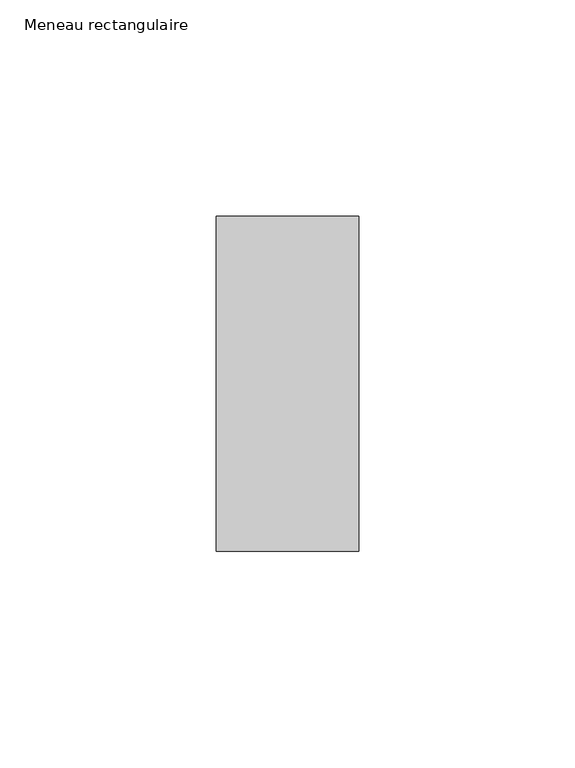
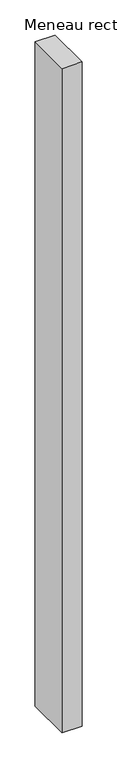
"""IFC4 building model written with IfcOpenShell, lengths in millimetres: member geometry, Meneau rectangulaire."""

from ifc_helpers import new_model, si_unit, frame, origin, place, context, project, spatial, polyline, outline, extrude, source, transform, mapped, element, save


def meneau_rectangulaire_8514c554(model_context):
    return source(origin(), model_context, "Body", "SweptSolid", [
        extrude(outline(polyline([(0.0, 38.75), (0.0, -38.75), (-33.0, -38.75), (-33.0, 38.75), (0.0, 38.75)])), frame((0.0, 0.0, -1158.4285713), z_axis=(0.0, 0.0, 1.0), x_axis=(1.0, 0.0, 0.0)), (0.0, 0.0, 1.0), 1158.4285713),
    ])


if __name__ == "__main__":
    model = new_model("IFC4")
    model_context = context("Model", 3, world=origin())
    ifc_project = project(units=[si_unit("LENGTHUNIT", "METRE", prefix="MILLI")], contexts=[model_context])
    site = spatial("IfcSite", under=ifc_project)
    building = spatial("IfcBuilding", under=site)
    placement = place(None, origin())
    meneau_rectangulaire_shape = meneau_rectangulaire_8514c554(model_context)
    element("IfcMember", 1, ObjectType="Meneau rectangulaire", at=placement, inside=building, context=model_context, shape_type="MappedRepresentation", body=[
        mapped(meneau_rectangulaire_shape, transform((0.0, 0.0, 0.0), x_axis=(1.0, 0.0, 0.0), y_axis=(0.0, 1.0, 0.0), z_axis=(0.0, 0.0, 1.0))),
    ])
    save(model, "model.ifc")
